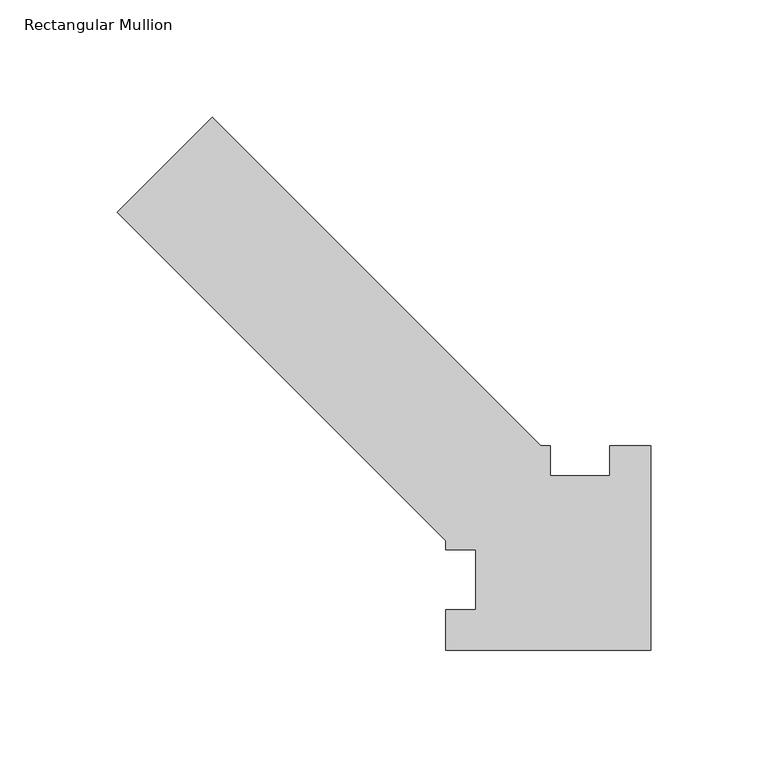
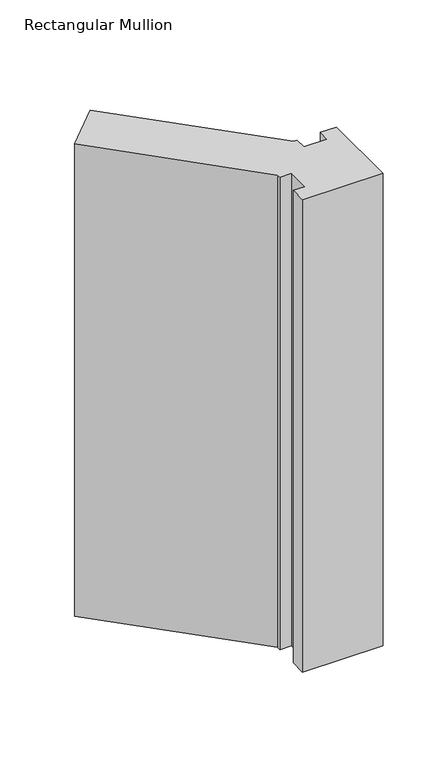
"""IFC4 building model written with IfcOpenShell, lengths in millimetres: member geometry, Rectangular Mullion."""

from ifc_helpers import new_model, si_unit, frame, origin, place, context, project, spatial, polyline, outline, extrude, source, transform, mapped, element, save


def rectangular_mullion_e025b3a0(model_context):
    return source(origin(), model_context, "Body", "SweptSolid", [
        extrude(outline(polyline([(-17.4625, 58.7375), (0.0, 58.7375), (0.0, -28.575), (-87.3125, -28.575), (-87.3125, -11.1125), (-74.6125, -11.1125), (-74.6125, 14.2875), (-87.3125, 14.2875), (-87.3125, 18.2221177), (-227.4807452, 158.3903629), (-187.0695926, 198.8015154), (-47.0055772, 58.7375), (-42.8625, 58.7375), (-42.8625, 46.0375), (-17.4625, 46.0375), (-17.4625, 58.7375)])), frame((0.0, 0.0, -542.925), z_axis=(0.0, 0.0, 1.0), x_axis=(1.0, 0.0, 0.0)), (0.0, 0.0, 1.0), 542.925),
    ])


if __name__ == "__main__":
    model = new_model("IFC4")
    model_context = context("Model", 3, world=origin())
    ifc_project = project(units=[si_unit("LENGTHUNIT", "METRE", prefix="MILLI")], contexts=[model_context])
    site = spatial("IfcSite", under=ifc_project)
    building = spatial("IfcBuilding", under=site)
    placement = place(None, origin())
    rectangular_mullion_shape = rectangular_mullion_e025b3a0(model_context)
    element("IfcMember", 1, ObjectType="Rectangular Mullion", at=placement, inside=building, context=model_context, shape_type="MappedRepresentation", body=[
        mapped(rectangular_mullion_shape, transform((0.0, 0.0, 0.0), x_axis=(1.0, 0.0, 0.0), y_axis=(0.0, 1.0, 0.0), z_axis=(0.0, 0.0, 1.0))),
    ])
    save(model, "model.ifc")
